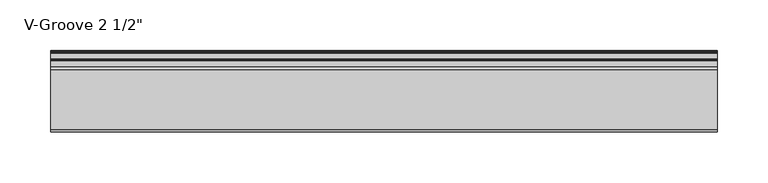
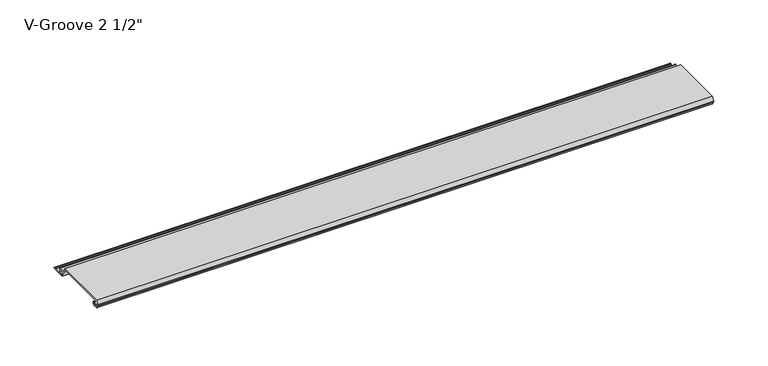
"""IFC4 building model written with IfcOpenShell, lengths in millimetres: proxy geometry."""

import ifcopenshell
import ifcopenshell.guid

model = None  # the IFC model being written
_history = None  # IfcOwnerHistory: only IFC2X3 demands one
_inside = {}  # id of a spatial element -> (the spatial element, [elements in it])
_under = {}  # id of a project, library or spatial element -> (it, [spatial elements below it])
_declared = {}  # id of a project -> (the project, [libraries it declares])
_typed = {}  # id of a type object -> (the type object, [elements of that type])
_made_of = {}  # id of a material, layer set ... -> (it, [elements and type objects made of it])


def new_model(schema):
    """Start an empty IFC model of exactly this schema.

    Asked for "IFC4X3", IfcOpenShell would pick the latest addendum, in which some entities
    have other attributes; the version numbers below select the first issue.
    IFC2X3 requires an IfcOwnerHistory on every rooted entity: one is made here for all.
    """
    global model, _history
    if schema == "IFC4X3":
        model = ifcopenshell.file(schema_version=(4, 3, 0, 0))
    else:
        model = ifcopenshell.file(schema=schema)
    _inside.clear()
    _under.clear()
    _declared.clear()
    _typed.clear()
    _made_of.clear()
    _history = None
    if model.schema == "IFC2X3":
        org = make("IfcOrganization", Name="unknown")
        user = make(
            "IfcPersonAndOrganization",
            ThePerson=make("IfcPerson", FamilyName="unknown"),
            TheOrganization=org,
        )
        app = make(
            "IfcApplication",
            ApplicationDeveloper=org,
            Version="unknown",
            ApplicationFullName="unknown",
            ApplicationIdentifier="unknown",
        )
        _history = make(
            "IfcOwnerHistory",
            OwningUser=user,
            OwningApplication=app,
            ChangeAction="ADDED",
            CreationDate=0,
        )
    return model


def make(cls, **values):
    """One entity of the class cls with the attributes given. An attribute that is None is left unset."""
    return model.create_entity(
        cls, **{name: value for name, value in values.items() if value is not None}
    )


def rooted(cls, **values):
    """An entity with a GlobalId (a new one), such as an element, a storey or a relation."""
    return make(cls, GlobalId=ifcopenshell.guid.new(), OwnerHistory=_history, **values)


def si_unit(unit_type, name, prefix=None):
    """IfcSIUnit, for example si_unit("LENGTHUNIT", "METRE", prefix="MILLI")."""
    return make("IfcSIUnit", UnitType=unit_type, Prefix=prefix, Name=name)


def assignment(units):
    """IfcUnitAssignment: the units of a project."""
    return None if units is None else make("IfcUnitAssignment", Units=units)


def point(xyz):
    """IfcCartesianPoint."""
    return None if xyz is None else make("IfcCartesianPoint", Coordinates=xyz)


def direction(xyz):
    """IfcDirection."""
    return None if xyz is None else make("IfcDirection", DirectionRatios=xyz)


def frame(location, z_axis=None, x_axis=None):
    """IfcAxis2Placement3D, a coordinate frame: its origin and axes. An axis left out is left unset."""
    return make(
        "IfcAxis2Placement3D",
        Location=point(location),
        Axis=direction(z_axis),
        RefDirection=direction(x_axis),
    )


def origin():
    """The frame at (0, 0, 0) with its axes left unset."""
    return frame((0.0, 0.0, 0.0))


def place(relative_to, where):
    """IfcLocalPlacement: puts the frame where relative to a parent placement (None: the world)."""
    return make(
        "IfcLocalPlacement", PlacementRelTo=relative_to, RelativePlacement=where
    )


def context(
    kind, dimensions, precision=None, world=None, true_north=None, identifier=None
):
    """IfcGeometricRepresentationContext, for example the 3D "Model" context."""
    return make(
        "IfcGeometricRepresentationContext",
        ContextIdentifier=identifier,
        ContextType=kind,
        CoordinateSpaceDimension=dimensions,
        Precision=precision,
        WorldCoordinateSystem=world,
        TrueNorth=true_north,
    )


def project(units=None, contexts=None):
    """IfcProject with its units and contexts."""
    return rooted(
        "IfcProject",
        Name="project",
        RepresentationContexts=contexts,
        UnitsInContext=assignment(units),
    )


def spatial(cls, under=None, at=None, **own):
    """A site, building, storey or space (cls), placed at a placement, below another one or the project."""
    s = rooted(cls, ObjectPlacement=at, **own)
    if under is not None:
        _under.setdefault(under.id(), (under, []))[1].append(s)
    return s


def polyline(points):
    """IfcPolyline through the points."""
    return make("IfcPolyline", Points=[point(p) for p in points])


def circle_curve(where, radius):
    """IfcCircle in the frame where."""
    return make("IfcCircle", Position=where, Radius=radius)


def shape(context_of_items, identifier, shape_type, items):
    """IfcShapeRepresentation: the items that make up one representation, for example the "Body"."""
    return make(
        "IfcShapeRepresentation",
        ContextOfItems=context_of_items,
        RepresentationIdentifier=identifier,
        RepresentationType=shape_type,
        Items=items,
    )


def source(mapping_origin, context_of_items, identifier, shape_type, items):
    """IfcRepresentationMap: a shape defined once, which mapped items show again and again."""
    return make(
        "IfcRepresentationMap",
        MappingOrigin=mapping_origin,
        MappedRepresentation=shape(context_of_items, identifier, shape_type, items),
    )


def transform(
    local_origin,
    x_axis=None,
    y_axis=None,
    z_axis=None,
    scale=None,
    scale2=None,
    scale3=None,
    uniform=True,
):
    """IfcCartesianTransformationOperator3D, or its non-uniform kind. x_axis, y_axis, z_axis: its Axis1, 2, 3."""
    if uniform:
        return make(
            "IfcCartesianTransformationOperator3D",
            Axis1=direction(x_axis),
            Axis2=direction(y_axis),
            LocalOrigin=point(local_origin),
            Scale=scale,
            Axis3=direction(z_axis),
        )
    return make(
        "IfcCartesianTransformationOperator3DnonUniform",
        Axis1=direction(x_axis),
        Axis2=direction(y_axis),
        LocalOrigin=point(local_origin),
        Scale=scale,
        Axis3=direction(z_axis),
        Scale2=scale2,
        Scale3=scale3,
    )


def mapped(mapping_source, mapping_target):
    """IfcMappedItem: shows the shape of a source again, moved by a transform."""
    return make(
        "IfcMappedItem", MappingSource=mapping_source, MappingTarget=mapping_target
    )


def made_of(thing, what):
    """Note that an element or type object is made of a material, layer set ...; save() writes the relation."""
    if what is not None:
        _made_of.setdefault(what.id(), (what, []))[1].append(thing)
    return thing


def element(
    cls,
    number,
    at=None,
    inside=None,
    cuts=None,
    type_object=None,
    material=None,
    context=None,
    identifier="Body",
    shape_type=None,
    held_by="IfcProductDefinitionShape",
    body=None,
    shapes=None,
    **own,
):
    """One element of the class cls, such as IfcWall. Its Tag is "e" and its number.

    at: its placement. inside: the storey or other place that contains it. cuts: it is an
    opening in that element (IfcRelVoidsElement). A single representation is given by context,
    identifier, shape_type and body (its items); several are given by shapes. held_by: the class
    of the entity that holds the representations. save() writes the other relations.
    """
    e = rooted(cls, Tag="e%d" % number, ObjectPlacement=at, **own)
    if body is not None:
        shapes = [shape(context, identifier, shape_type, body)]
    if shapes is not None:
        e.Representation = make(held_by, Representations=shapes)
    if inside is not None:
        _inside.setdefault(inside.id(), (inside, []))[1].append(e)
    if cuts is not None:
        rooted(
            "IfcRelVoidsElement", RelatingBuildingElement=cuts, RelatedOpeningElement=e
        )
    if type_object is not None:
        _typed.setdefault(type_object.id(), (type_object, []))[1].append(e)
    return made_of(e, material)


def aggregate(whole, parts):
    """IfcRelAggregates: a whole, such as a stair, and the parts it consists of."""
    return rooted("IfcRelAggregates", RelatingObject=whole, RelatedObjects=parts)


def save(model, path):
    """Write the relations noted so far, then the file.

    IfcRelAggregates (storeys below a building ...), IfcRelContainedInSpatialStructure (elements
    in a storey), IfcRelDefinesByType, IfcRelAssociatesMaterial and IfcRelDeclares: one each for
    every whole, place, type object, material and project.
    """
    for whole, parts in _under.values():
        aggregate(whole, parts)
    for where, things in _inside.values():
        rooted(
            "IfcRelContainedInSpatialStructure",
            RelatedElements=things,
            RelatingStructure=where,
        )
    for kind, things in _typed.values():
        rooted("IfcRelDefinesByType", RelatedObjects=things, RelatingType=kind)
    for what, things in _made_of.values():
        rooted("IfcRelAssociatesMaterial", RelatedObjects=things, RelatingMaterial=what)
    for by, libraries in _declared.values():
        rooted("IfcRelDeclares", RelatingContext=by, RelatedDefinitions=libraries)
    model.write(path)


def plane_surface(at):
    """IfcPlane: the flat surface through the origin of the frame at, square to its z axis."""
    return make("IfcPlane", Position=at)


def cylinder_surface(at, radius):
    """IfcCylindricalSurface: all points at the distance radius from the z axis of the frame at."""
    return make("IfcCylindricalSurface", Position=at, Radius=radius)


def revolved_surface(curve, axis_point, axis_direction):
    """IfcSurfaceOfRevolution: the curve turned about the line through axis_point along axis_direction."""
    return make(
        "IfcSurfaceOfRevolution",
        SweptCurve=make("IfcArbitraryOpenProfileDef", ProfileType="CURVE", Curve=curve),
        AxisPosition=make("IfcAxis1Placement", Location=point(axis_point), Axis=direction(axis_direction)),
    )


def advanced_brep(points, edges, surfaces, faces):
    """IfcAdvancedBrep: a solid bounded by faces that lie on surfaces and meet in shared edges.

    An edge is (start, end): straight between two places in points (the first is 0);
    or (start, end, curve); or (start, end, curve, False) where it runs against its curve.
    A face is (place in surfaces, loops), or (place, loops, False) where it looks against
    its surface's normal. A loop lists edges by number (the first is 1), with a minus sign
    where the edge is run from its end to its start. The first loop is the outer one.
    """
    corners = [point(p) for p in points]
    vertices = [make("IfcVertexPoint", VertexGeometry=c) for c in corners]
    made = []
    for start, end, *more in edges:
        made.append(
            make(
                "IfcEdgeCurve",
                EdgeStart=vertices[start],
                EdgeEnd=vertices[end],
                EdgeGeometry=more[0] if more else make("IfcPolyline", Points=[corners[start], corners[end]]),
                SameSense=more[1] if len(more) > 1 else True,
            )
        )
    hull = []
    for where, loops, *sense in faces:
        bounds = []
        for j, loop in enumerate(loops):
            ring = [make("IfcOrientedEdge", EdgeElement=made[abs(k) - 1], Orientation=k > 0) for k in loop]
            bounds.append(
                make(
                    "IfcFaceOuterBound" if j == 0 else "IfcFaceBound",
                    Bound=make("IfcEdgeLoop", EdgeList=ring),
                    Orientation=True,
                )
            )
        hull.append(make("IfcAdvancedFace", Bounds=bounds, FaceSurface=surfaces[where], SameSense=sense[0] if sense else True))
    return make("IfcAdvancedBrep", Outer=make("IfcClosedShell", CfsFaces=hull))


def proxy_4548545b(model_context):
    return source(origin(), model_context, "Body", "AdvancedBrep", [
        advanced_brep(
        [(0.0, 4.8748016, 8.2677279), (0.0, 3.9297655, 8.3107178), (0.0, 1.0903749, 8.3537076), (0.0, 0.065443, 8.3537076), (0.0, 0.065443, 9.2261945), (0.0, 2.1184419, 13.2537076), (0.0, 60.8967857, 13.2537076), (0.0, 63.5, 8.1468156), (0.0, 69.3910449, 8.1468156), (0.0, 69.3738459, 6.6269129), (0.0, 65.2507651, 6.6268074), (0.0, 64.7162088, 5.7543198), (0.0, 65.8634478, 3.5037076), (0.0, 70.6480327, 3.5037076), (0.0, 71.405331, 2.8682589), (0.0, 77.1979176, 2.8682589), (0.0, 77.9552159, 3.5037076), (0.0, 78.9052159, 3.5037076), (0.0, 78.9052159, 1.8537076), (0.0, 64.9456734, 1.8537076), (0.0, 59.9348769, 11.6837076), (0.0, 4.9698231, 11.6837076), (0.0, 4.9454257, 9.4970429), (0.0, 6.3252986, 9.4327708), (0.0, 6.2190404, 4.8677279), (0.0, 2.2867276, 4.8677279), (0.0, 2.2368711, 6.1940104), (0.0, 4.5055344, 6.3177279), (0.0, 6.0740222, 6.3177279), (0.0, 6.0740222, 8.2677279), (653.773, 4.8748016, 8.2677279), (653.773, 6.0740222, 8.2677279), (653.773, 6.0740222, 6.3177279), (653.773, 4.5055344, 6.3177279), (653.773, 2.2368711, 6.1940104), (653.773, 2.2867276, 4.8677279), (653.773, 6.2190404, 4.8677279), (653.773, 6.3252986, 9.4327708), (653.773, 4.9454257, 9.4970429), (653.773, 4.9698231, 11.6837076), (653.773, 59.9348769, 11.6837076), (653.773, 64.9456734, 1.8537076), (653.773, 78.9052159, 1.8537076), (653.773, 78.9052159, 3.5037076), (653.773, 77.9552159, 3.5037076), (653.773, 77.1979176, 2.8682589), (653.773, 71.405331, 2.8682589), (653.773, 70.6480327, 3.5037076), (653.773, 65.8634478, 3.5037076), (653.773, 64.7162088, 5.7543198), (653.773, 65.2507651, 6.6268074), (653.773, 69.3738459, 6.6268074), (653.773, 69.3910449, 8.1468156), (653.773, 63.5, 8.1468156), (653.773, 60.8967857, 13.2537076), (653.773, 2.1184419, 13.2537076), (653.773, 0.065443, 9.2261945), (653.773, 0.065443, 8.3537076), (653.773, 1.0903749, 8.3537076), (653.773, 3.9297655, 8.3107178)],
        [
            (0, 1),
            (1, 2, circle_curve(frame((0.0, 2.4847467, 6.6596487), z_axis=(1.0, 0.0, 0.0), x_axis=(0.0, 1.0, 0.0)), 2.1941076)),
            (2, 3),
            (3, 4),
            (4, 5),
            (5, 6),
            (6, 7),
            (7, 8),
            (8, 9, circle_curve(frame((0.0, 69.3824454, 7.3868643), z_axis=(-1.0, 0.0, 0.0), x_axis=(0.0, 1.0, 0.0)), 0.76)),
            (9, 10),
            (10, 11, circle_curve(frame((0.0, 65.2507651, 6.0268074), z_axis=(1.0, 0.0, 0.0), x_axis=(0.0, 1.0, 0.0)), 0.6)),
            (11, 12),
            (12, 13),
            (13, 14),
            (14, 15),
            (15, 16),
            (16, 17),
            (17, 18, circle_curve(frame((0.0, 78.9052159, 2.6787076), z_axis=(-1.0, 0.0, 0.0), x_axis=(0.0, 1.0, 0.0)), 0.825)),
            (18, 19),
            (19, 20),
            (20, 21),
            (21, 22, circle_curve(frame((0.0, 4.9836004, 10.5900854), z_axis=(1.0, 0.0, 0.0), x_axis=(0.0, 1.0, 0.0)), 1.093709)),
            (22, 23),
            (23, 24, circle_curve(frame((0.0, 6.2190404, 7.151486), z_axis=(-1.0, 0.0, 0.0), x_axis=(0.0, 1.0, 0.0)), 2.2837581)),
            (24, 25),
            (25, 26, circle_curve(frame((0.0, 2.2867276, 5.5318063), z_axis=(-1.0, 0.0, 0.0), x_axis=(0.0, 1.0, 0.0)), 0.6640784)),
            (26, 27),
            (27, 28),
            (28, 29, circle_curve(frame((0.0, 6.0740222, 7.2927279), z_axis=(1.0, 0.0, 0.0), x_axis=(0.0, 1.0, 0.0)), 0.975)),
            (29, 0),
            (30, 31),
            (31, 32, circle_curve(frame((653.773, 6.0740222, 7.2927279), z_axis=(-1.0, 0.0, 0.0), x_axis=(0.0, 1.0, 0.0)), 0.975)),
            (32, 33),
            (33, 34),
            (34, 35, circle_curve(frame((653.773, 2.2867276, 5.5318063), z_axis=(1.0, 0.0, 0.0), x_axis=(0.0, 1.0, 0.0)), 0.6640784)),
            (35, 36),
            (36, 37, circle_curve(frame((653.773, 6.2190404, 7.151486), z_axis=(1.0, 0.0, 0.0), x_axis=(0.0, 1.0, 0.0)), 2.2837581)),
            (37, 38),
            (38, 39, circle_curve(frame((653.773, 4.9836004, 10.5900854), z_axis=(-1.0, 0.0, 0.0), x_axis=(0.0, 1.0, 0.0)), 1.093709)),
            (39, 40),
            (40, 41),
            (41, 42),
            (42, 43, circle_curve(frame((653.773, 78.9052159, 2.6787076), z_axis=(1.0, 0.0, 0.0), x_axis=(0.0, 1.0, 0.0)), 0.825)),
            (43, 44),
            (44, 45),
            (45, 46),
            (46, 47),
            (47, 48),
            (48, 49),
            (49, 50, circle_curve(frame((653.773, 65.2507651, 6.0268074), z_axis=(-1.0, 0.0, 0.0), x_axis=(0.0, 1.0, 0.0)), 0.6)),
            (50, 51),
            (51, 52, circle_curve(frame((653.773, 69.3824454, 7.3868643), z_axis=(1.0, 0.0, 0.0), x_axis=(0.0, 1.0, 0.0)), 0.76)),
            (52, 53),
            (53, 54),
            (54, 55),
            (55, 56),
            (56, 57),
            (57, 58),
            (58, 59, circle_curve(frame((653.773, 2.4847467, 6.6596487), z_axis=(-1.0, 0.0, 0.0), x_axis=(0.0, 1.0, 0.0)), 2.1941076)),
            (59, 30),
            (0, 30),
            (59, 1),
            (58, 2),
            (57, 3),
            (56, 4),
            (55, 5),
            (54, 6),
            (53, 7),
            (52, 8),
            (51, 9),
            (50, 10),
            (49, 11),
            (48, 12),
            (47, 13),
            (46, 14),
            (45, 15),
            (44, 16),
            (43, 17),
            (42, 18),
            (41, 19),
            (40, 20),
            (39, 21),
            (38, 22),
            (37, 23),
            (36, 24),
            (35, 25),
            (34, 26),
            (33, 27),
            (32, 28),
            (31, 29),
        ],
        [
            plane_surface(frame((0.0, 0.0, 0.0), z_axis=(-1.0, 0.0, 0.0), x_axis=(0.0, 0.0, 1.0))),
            plane_surface(frame((653.773, 0.0, 0.0), z_axis=(1.0, 0.0, 0.0), x_axis=(0.0, 0.0, 1.0))),
            plane_surface(frame((0.0, 4.8748016, 8.2677279), z_axis=(0.0, -0.045443199353729875, -0.9989669241934376), x_axis=(1.0, 0.0, 0.0))),
            revolved_surface(polyline([(653.773, 4.6788543, 6.6596487), (0.0, 4.6788543, 6.6596487)]), (0.0, 2.4847467, 6.6596487), (1.0, 0.0, 0.0)),
            plane_surface(frame((0.0, 1.0903749, 8.3537076), z_axis=(0.0, 0.0, -1.0), x_axis=(1.0, 0.0, 0.0))),
            plane_surface(frame((0.0, 0.065443, 8.3537076), z_axis=(0.0, -1.0, 0.0), x_axis=(1.0, 0.0, 0.0))),
            plane_surface(frame((0.0, 0.065443, 9.2261945), z_axis=(0.0, -0.8909279044420536, 0.4541447666620095), x_axis=(1.0, 0.0, 0.0))),
            plane_surface(frame((0.0, 2.1184419, 13.2537076), z_axis=(0.0, 0.0, 1.0), x_axis=(1.0, 0.0, 0.0))),
            plane_surface(frame((0.0, 60.8967857, 13.2537076), z_axis=(0.0, 0.8909272743280099, 0.4541460027991692), x_axis=(1.0, 0.0, 0.0))),
            plane_surface(frame((0.0, 63.5, 8.1468156), z_axis=(0.0, 0.0, 1.0), x_axis=(1.0, 0.0, 0.0))),
            cylinder_surface(frame((0.0, 69.3824454, 7.3868643), z_axis=(-1.0, 0.0, 0.0), x_axis=(0.0, 1.0, 0.0)), 0.76),
            plane_surface(frame((0.0, 69.3738459, 6.6268074), z_axis=(0.0, 0.0, -1.0), x_axis=(1.0, 0.0, 0.0))),
            revolved_surface(polyline([(653.773, 65.85076509999999, 6.0268074), (0.0, 65.85076509999999, 6.0268074)]), (0.0, 65.2507651, 6.0268074), (1.0, 0.0, 0.0)),
            plane_surface(frame((0.0, 64.7162088, 5.7543198), z_axis=(0.0, 0.890927274374244, 0.4541460027084689), x_axis=(1.0, 0.0, 0.0))),
            plane_surface(frame((0.0, 65.8634478, 3.5037076), z_axis=(0.0, 0.0, 1.0), x_axis=(1.0, 0.0, 0.0))),
            plane_surface(frame((0.0, 70.6480327, 3.5037076), z_axis=(0.0, 0.6427876096865576, 0.7660444431189628), x_axis=(1.0, 0.0, 0.0))),
            plane_surface(frame((0.0, 71.405331, 2.8682589), z_axis=(0.0, 0.0, 1.0), x_axis=(1.0, 0.0, 0.0))),
            plane_surface(frame((0.0, 77.1979176, 2.8682589), z_axis=(0.0, -0.6427876096865565, 0.7660444431189637), x_axis=(1.0, 0.0, 0.0))),
            plane_surface(frame((0.0, 77.9552159, 3.5037076), z_axis=(0.0, 0.0, 1.0), x_axis=(1.0, 0.0, 0.0))),
            cylinder_surface(frame((0.0, 78.9052159, 2.6787076), z_axis=(-1.0, 0.0, 0.0), x_axis=(0.0, 1.0, 0.0)), 0.825),
            plane_surface(frame((0.0, 78.9052159, 1.8537076), z_axis=(0.0, 0.0, -1.0), x_axis=(1.0, 0.0, 0.0))),
            plane_surface(frame((0.0, 64.9456734, 1.8537076), z_axis=(0.0, -0.8909272743276273, -0.45414600279991996), x_axis=(1.0, 0.0, 0.0))),
            plane_surface(frame((0.0, 59.9348769, 11.6837076), z_axis=(0.0, 0.0, -1.0), x_axis=(1.0, 0.0, 0.0))),
            revolved_surface(polyline([(653.773, 6.077309400000001, 10.5900854), (0.0, 6.077309400000001, 10.5900854)]), (0.0, 4.9836004, 10.5900854), (1.0, 0.0, 0.0)),
            plane_surface(frame((0.0, 4.9454257, 9.4970429), z_axis=(0.0, 0.046527768163272164, 0.9989169969470661), x_axis=(1.0, 0.0, 0.0))),
            cylinder_surface(frame((0.0, 6.2190404, 7.151486), z_axis=(-1.0, 0.0, 0.0), x_axis=(0.0, 1.0, 0.0)), 2.2837581),
            plane_surface(frame((0.0, 6.2190404, 4.8677279), z_axis=(0.0, 0.0, -1.0), x_axis=(1.0, 0.0, 0.0))),
            cylinder_surface(frame((0.0, 2.2867276, 5.5318063), z_axis=(-1.0, 0.0, 0.0), x_axis=(0.0, 1.0, 0.0)), 0.6640784),
            plane_surface(frame((0.0, 2.2368711, 6.1940104), z_axis=(0.0, -0.054452281472051646, 0.9985163739481133), x_axis=(1.0, 0.0, 0.0))),
            plane_surface(frame((0.0, 4.5055344, 6.3177279), z_axis=(0.0, 0.0, 1.0), x_axis=(1.0, 0.0, 0.0))),
            revolved_surface(polyline([(653.773, 7.0490222, 7.2927279), (0.0, 7.0490222, 7.2927279)]), (0.0, 6.0740222, 7.2927279), (1.0, 0.0, 0.0)),
            plane_surface(frame((0.0, 6.0740222, 8.2677279), z_axis=(0.0, 0.0, -1.0), x_axis=(1.0, 0.0, 0.0))),
        ],
        [
            (0, [[1, 2, 3, 4, 5, 6, 7, 8, 9, 10, 11, 12, 13, 14, 15, 16, 17, 18, 19, 20, 21, 22, 23, 24, 25, 26, 27, 28, 29, 30]]),
            (1, [[31, 32, 33, 34, 35, 36, 37, 38, 39, 40, 41, 42, 43, 44, 45, 46, 47, 48, 49, 50, 51, 52, 53, 54, 55, 56, 57, 58, 59, 60]]),
            (2, [[-1, 61, -60, 62]]),
            (3, [[-2, -62, -59, 63]]),
            (4, [[-3, -63, -58, 64]]),
            (5, [[-4, -64, -57, 65]]),
            (6, [[-5, -65, -56, 66]]),
            (7, [[-6, -66, -55, 67]]),
            (8, [[-7, -67, -54, 68]]),
            (9, [[-8, -68, -53, 69]]),
            (10, [[-9, -69, -52, 70]]),
            (11, [[-10, -70, -51, 71]]),
            (12, [[-11, -71, -50, 72]]),
            (13, [[-12, -72, -49, 73]]),
            (14, [[-13, -73, -48, 74]]),
            (15, [[-14, -74, -47, 75]]),
            (16, [[-15, -75, -46, 76]]),
            (17, [[-16, -76, -45, 77]]),
            (18, [[-17, -77, -44, 78]]),
            (19, [[-18, -78, -43, 79]]),
            (20, [[-19, -79, -42, 80]]),
            (21, [[-20, -80, -41, 81]]),
            (22, [[-21, -81, -40, 82]]),
            (23, [[-22, -82, -39, 83]]),
            (24, [[-23, -83, -38, 84]]),
            (25, [[-24, -84, -37, 85]]),
            (26, [[-25, -85, -36, 86]]),
            (27, [[-26, -86, -35, 87]]),
            (28, [[-27, -87, -34, 88]]),
            (29, [[-28, -88, -33, 89]]),
            (30, [[-29, -89, -32, 90]]),
            (31, [[-30, -90, -31, -61]]),
        ],
    ),
    ])


if __name__ == "__main__":
    model = new_model("IFC4")
    model_context = context("Model", 3, world=origin())
    ifc_project = project(units=[si_unit("LENGTHUNIT", "METRE", prefix="MILLI")], contexts=[model_context])
    site = spatial("IfcSite", under=ifc_project)
    building = spatial("IfcBuilding", under=site)
    placement = place(None, origin())
    proxy_shape = proxy_4548545b(model_context)
    element("IfcBuildingElementProxy", 1, Name="V-Groove 2 1/2\"", ObjectType="V-Groove 2 1/2\"", at=placement, inside=building, context=model_context, shape_type="MappedRepresentation", body=[
        mapped(proxy_shape, transform((0.0, 0.0, 0.0), x_axis=(1.0, 0.0, 0.0), y_axis=(0.0, 1.0, 0.0), z_axis=(0.0, 0.0, 1.0))),
    ])
    save(model, "model.ifc")
